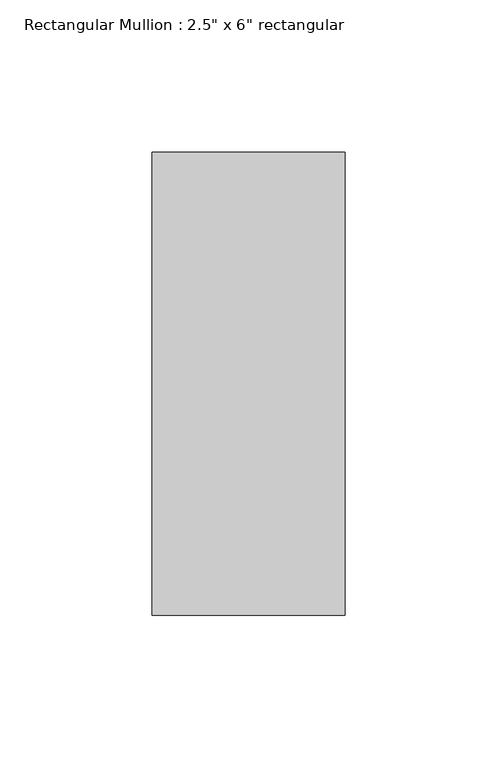
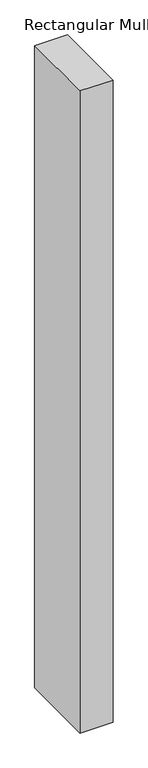
"""IFC4 building model written with IfcOpenShell, lengths in millimetres: member geometry."""

from ifc_helpers import new_model, si_unit, frame, origin, place, context, project, spatial, polyline, outline, extrude, source, transform, mapped, element, save


def member_98d4d8ce(model_context):
    return source(origin(), model_context, "Body", "SweptSolid", [
        extrude(outline(polyline([(0.0, 60.325), (0.0, -92.075), (-63.5, -92.075), (-63.5, 60.325), (0.0, 60.325)])), frame((0.0, 0.0, -1314.4500003), z_axis=(0.0, 0.0, 1.0), x_axis=(1.0, 0.0, 0.0)), (0.0, 0.0, 1.0), 1314.4500003),
    ])


if __name__ == "__main__":
    model = new_model("IFC4")
    model_context = context("Model", 3, world=origin())
    ifc_project = project(units=[si_unit("LENGTHUNIT", "METRE", prefix="MILLI")], contexts=[model_context])
    site = spatial("IfcSite", under=ifc_project)
    building = spatial("IfcBuilding", under=site)
    placement = place(None, origin())
    member_shape = member_98d4d8ce(model_context)
    element("IfcMember", 1, ObjectType="Rectangular Mullion : 2.5\" x 6\" rectangular", at=placement, inside=building, context=model_context, shape_type="MappedRepresentation", body=[
        mapped(member_shape, transform((0.0, 0.0, 0.0), x_axis=(1.0, 0.0, 0.0), y_axis=(0.0, 1.0, 0.0), z_axis=(0.0, 0.0, 1.0))),
    ])
    save(model, "model.ifc")
